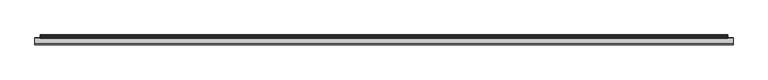
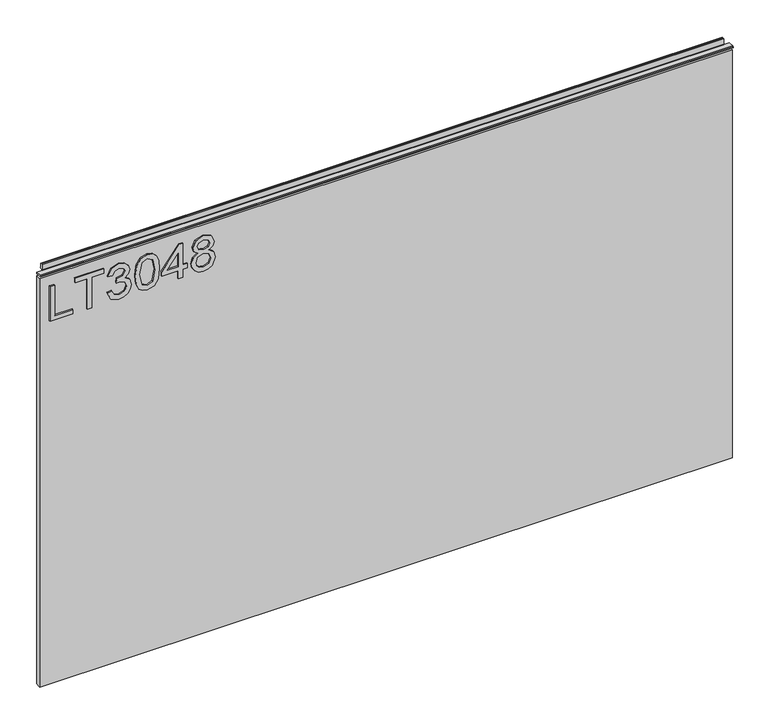
"""IFC4 building model written with IfcOpenShell, lengths in millimetres: furniture geometry."""

from ifc_helpers import new_model, si_unit, frame, origin, place, context, project, spatial, polyline, outline, extrude, source, transform, mapped, element, save


def furniture_64b853e6(model_context):
    return source(origin(), model_context, "Body", "SweptSolid", [
        extrude(outline(polyline([(773.6078, -281.6939953), (773.6078, -241.8253972), (781.5815196, -241.8253972), (781.5815196, -273.7202757), (837.3975569, -273.7202757), (837.3975569, -281.6939953), (773.6078, -281.6939953)])), frame((0.0, -5.4626842, 0.0), z_axis=(0.0, 1.0, 0.0), x_axis=(0.0, 0.0, 1.0)), (0.0, 0.0, 1.0), 2.38125),
        extrude(outline(polyline([(773.6078, -216.9075234), (773.6078, -208.9338038), (829.4238373, -208.9338038), (829.4238373, -188.0027898), (837.3975569, -188.0027898), (837.3975569, -237.8385374), (829.4238373, -237.8385374), (829.4238373, -216.9075234), (773.6078, -216.9075234)])), frame((0.0, -5.4626842, 0.0), z_axis=(0.0, 1.0, 0.0), x_axis=(0.0, 0.0, 1.0)), (0.0, 0.0, 1.0), 2.38125),
        extrude(outline(polyline([(790.5519542, -182.0225001), (777.6102335, -175.684016), (772.611085, -161.6988593), (774.0750101, -153.1761678), (778.4667854, -146.2653512), (784.9610063, -141.6866919), (792.7322681, -140.1604721), (803.1043331, -143.2129117), (808.555118, -151.9030201), (813.8345925, -145.3620783), (821.1853653, -143.150617), (829.2291664, -145.4788808), (835.2094562, -152.2067067), (837.3975569, -161.8234487), (832.9590607, -174.500417), (820.4534028, -181.0257852), (819.4566878, -173.0520655), (826.9320499, -169.1430741), (829.4238373, -161.5431226), (826.9554105, -154.0366131), (820.7181552, -151.1243366), (813.6788558, -155.1423437), (811.4829682, -165.4676877), (803.5092486, -166.355387), (804.3813742, -160.764439), (801.11869, -151.7005624), (792.8724312, -148.1341917), (784.120028, -151.7317098), (780.5848047, -161.4185332), (783.1544604, -169.6492184), (791.5486691, -174.0487805), (790.5519542, -182.0225001)])), frame((0.0, -5.4626842, 0.0), z_axis=(0.0, 1.0, 0.0), x_axis=(0.0, 0.0, 1.0)), (0.0, 0.0, 1.0), 2.38125),
        extrude(outline(polyline([(804.9887473, -133.1834674), (789.4734775, -131.594953), (778.6848168, -126.8294096), (774.129518, -120.5376465), (772.611085, -112.2524534), (776.1073742, -100.5799869), (786.7130443, -93.6419164), (804.9887473, -91.3214395), (819.9784058, -92.7697909), (829.4160505, -96.5074719), (835.3418324, -102.9393981), (837.3975569, -112.2524534), (833.9246283, -123.8781989), (823.3423188, -130.8396299), (804.9887473, -133.1834674)]), holes=[polyline([(805.004321, -125.2097478), (825.1566514, -121.3474774), (829.4238373, -112.3458955), (824.5804256, -102.9082508), (805.004321, -99.2951591), (785.2179718, -103.0328401), (780.5848047, -112.2524534), (785.2023982, -121.4720668), (805.004321, -125.2097478)])]), frame((0.0, -5.4626842, 0.0), z_axis=(0.0, 1.0, 0.0), x_axis=(0.0, 0.0, 1.0)), (0.0, 0.0, 1.0), 2.38125),
        extrude(outline(polyline([(773.6078, -58.429846), (773.6078, -50.4561264), (788.5585243, -50.4561264), (788.5585243, -42.4824068), (796.5322439, -42.4824068), (796.5322439, -50.4561264), (836.400842, -50.4561264), (836.400842, -56.4364161), (796.5322439, -87.3345796), (788.5585243, -87.3345796), (788.5585243, -58.429846), (773.6078, -58.429846)]), holes=[polyline([(796.5322439, -58.429846), (796.5322439, -77.5231668), (821.1697916, -58.429846), (796.5322439, -58.429846)])]), frame((0.0, -5.4626842, 0.0), z_axis=(0.0, 1.0, 0.0), x_axis=(0.0, 0.0, 1.0)), (0.0, 0.0, 1.0), 2.38125),
        extrude(outline(polyline([(808.7420021, -23.8874435), (802.9485964, -32.4841099), (792.3896474, -35.5054021), (784.6320125, -34.0648375), (778.2721145, -29.7431438), (774.0263424, -23.0698257), (772.611085, -14.5743881), (774.0205023, -6.0789505), (778.248754, 0.5943676), (792.171616, 6.3566259), (802.4891731, 3.4521362), (808.7420021, -5.0277277), (813.671069, 2.0349321), (821.1853653, 4.363196), (832.6787346, -0.8695575), (837.3975569, -14.6834038), (832.7877503, -28.3726607), (821.4033967, -33.5119722), (813.6944295, -31.152561), (808.7420021, -23.8874435)]), holes=[polyline([(821.1697916, -25.5382526), (826.9943446, -22.6649103), (829.4238373, -14.5743881), (826.9398368, -6.5072265), (820.8115972, -3.6105237), (814.8936022, -6.4137845), (812.4796831, -14.4809461), (814.9091758, -22.7116313), (821.1697916, -25.5382526)]), polyline([(792.6699735, -27.5316825), (801.1264769, -24.1599827), (804.5059635, -14.7768459), (801.0797559, -5.1211698), (792.4207947, -1.6170937), (783.9253571, -5.0121541), (780.5848047, -14.5120934), (782.1733191, -21.4890981), (786.6663232, -26.2001336), (792.6699735, -27.5316825)])]), frame((0.0, -5.4626842, 0.0), z_axis=(0.0, 1.0, 0.0), x_axis=(0.0, 0.0, 1.0)), (0.0, 0.0, 1.0), 2.38125),
        extrude(outline(polyline([(5.5562561, 863.6), (6.3500061, 863.6), (6.3500061, 873.47425), (7.1437561, 874.268), (8.6677569, 874.268), (10.0084363, 873.8506926), (10.875413, 872.7461816), (10.9623604, 871.3447591), (10.2390011, 868.3863459), (10.4046103, 867.1833307), (11.6746103, 864.9836103), (10.7786383, 864.4663244), (7.1437561, 864.4663244), (7.1437561, 863.6), (6.3500061, 863.3669239), (6.3500061, 856.1578), (5.5562561, 856.1578), (5.5562561, 863.6)])), frame((-288.671, 0.0, 0.0), z_axis=(1.0, 0.0, 0.0), x_axis=(0.0, 1.0, 0.0)), (0.0, 0.0, 1.0), 1186.942),
        extrude(outline(polyline([(5.5562561, 863.6), (5.5562561, 860.4249996), (-3.975094, 860.4249996), (-5.3492339, 861.2183657), (-5.3492339, 862.8066395), (-3.9751037, 863.6), (5.5562561, 863.6)])), frame((-298.196, 0.0, 0.0), z_axis=(1.0, 0.0, 0.0), x_axis=(0.0, 1.0, 0.0)), (0.0, 0.0, 1.0), 1205.992),
        extrude(outline(polyline([(907.796, 6.3500061), (907.796, -3.1749939), (-298.196, -3.1749939), (-298.196, 6.3500061), (907.796, 6.3500061)])), frame((0.0, 0.0, 104.69626), z_axis=(0.0, 0.0, 1.0), x_axis=(1.0, 0.0, 0.0)), (0.0, 0.0, 1.0), 751.46154),
    ])


if __name__ == "__main__":
    model = new_model("IFC4")
    model_context = context("Model", 3, world=origin())
    ifc_project = project(units=[si_unit("LENGTHUNIT", "METRE", prefix="MILLI")], contexts=[model_context])
    site = spatial("IfcSite", under=ifc_project)
    building = spatial("IfcBuilding", under=site)
    placement = place(None, origin())
    furniture_shape = furniture_64b853e6(model_context)
    element("IfcFurniture", 1, at=placement, inside=building, context=model_context, shape_type="MappedRepresentation", body=[
        mapped(furniture_shape, transform((0.0, 0.0, 0.0), x_axis=(1.0, 0.0, 0.0), y_axis=(0.0, 1.0, 0.0), z_axis=(0.0, 0.0, 1.0))),
    ])
    save(model, "model.ifc")
